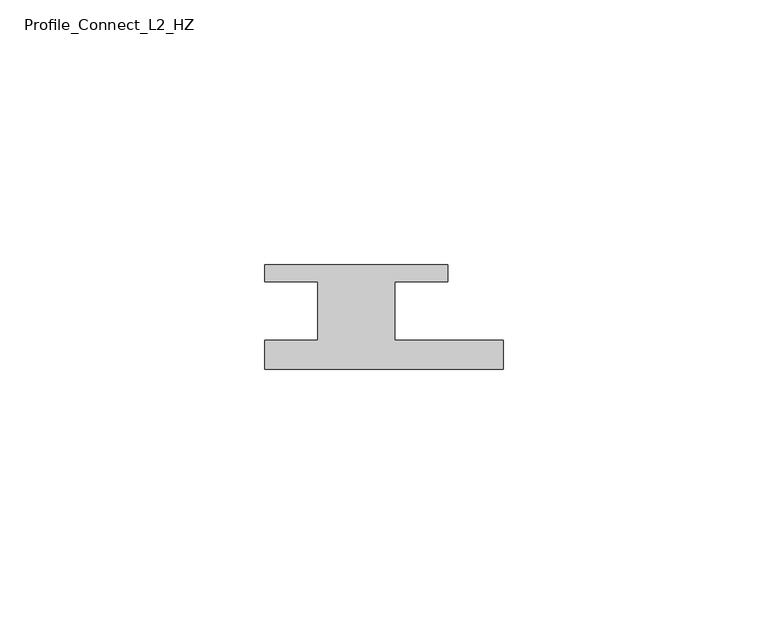
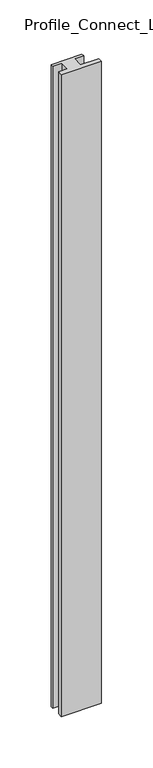
"""IFC4 building model written with IfcOpenShell, lengths in millimetres: member geometry, Profile_Connect_L2_HZ."""

from ifc_helpers import new_model, si_unit, frame, origin, place, context, project, spatial, polyline, outline, extrude, source, transform, mapped, element, save


def profile_connect_l2_hz_42695935(model_context):
    return source(origin(), model_context, "Body", "SweptSolid", [
        extrude(outline(polyline([(26.6, -5.5), (26.6, -11.0), (-18.4, -11.0), (-18.4, -5.5), (-8.4, -5.5), (-8.4, 5.5), (-18.4, 5.5), (-18.4, 8.7), (16.1, 8.7), (16.1, 5.5), (6.1, 5.5), (6.1, -5.5), (26.6, -5.5)])), frame((0.0, 0.0, -764.5), z_axis=(0.0, 0.0, 1.0), x_axis=(1.0, 0.0, 0.0)), (0.0, 0.0, 1.0), 764.5),
    ])


if __name__ == "__main__":
    model = new_model("IFC4")
    model_context = context("Model", 3, world=origin())
    ifc_project = project(units=[si_unit("LENGTHUNIT", "METRE", prefix="MILLI")], contexts=[model_context])
    site = spatial("IfcSite", under=ifc_project)
    building = spatial("IfcBuilding", under=site)
    placement = place(None, origin())
    profile_connect_l2_hz_shape = profile_connect_l2_hz_42695935(model_context)
    element("IfcMember", 1, ObjectType="Profile_Connect_L2_HZ", at=placement, inside=building, context=model_context, shape_type="MappedRepresentation", body=[
        mapped(profile_connect_l2_hz_shape, transform((0.0, 0.0, 0.0), x_axis=(1.0, 0.0, 0.0), y_axis=(0.0, 1.0, 0.0), z_axis=(0.0, 0.0, 1.0))),
    ])
    save(model, "model.ifc")
